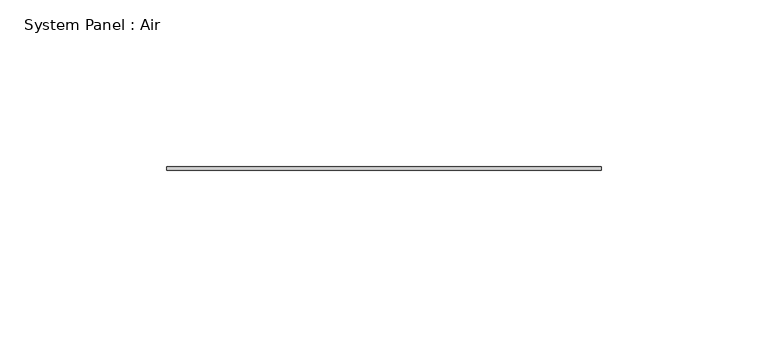
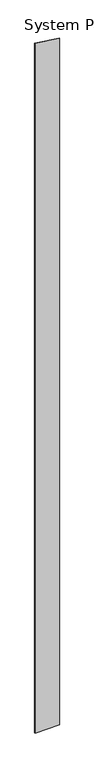
"""IFC4 building model written with IfcOpenShell, lengths in millimetres: plate geometry, System Panel : Air."""

from ifc_helpers import new_model, si_unit, frame, origin, place, context, project, spatial, polyline, outline, extrude, source, transform, mapped, element, save


def system_panel_air_2bc1fa2a(model_context):
    return source(origin(), model_context, "Body", "SweptSolid", [
        extrude(outline(polyline([(0.0, -65.0), (0.0, 65.0), (3845.1090735, 65.0), (3864.3646401, -65.0), (0.0, -65.0)])), frame((0.0, 36.5, 0.0), z_axis=(0.0, 1.0, 0.0), x_axis=(0.0, 0.0, 1.0)), (0.0, 0.0, 1.0), 1.0),
    ])


if __name__ == "__main__":
    model = new_model("IFC4")
    model_context = context("Model", 3, world=origin())
    ifc_project = project(units=[si_unit("LENGTHUNIT", "METRE", prefix="MILLI")], contexts=[model_context])
    site = spatial("IfcSite", under=ifc_project)
    building = spatial("IfcBuilding", under=site)
    placement = place(None, origin())
    system_panel_air_shape = system_panel_air_2bc1fa2a(model_context)
    element("IfcPlate", 1, ObjectType="System Panel : Air", at=placement, inside=building, context=model_context, shape_type="MappedRepresentation", body=[
        mapped(system_panel_air_shape, transform((0.0, 0.0, 0.0), x_axis=(1.0, 0.0, 0.0), y_axis=(0.0, 1.0, 0.0), z_axis=(0.0, 0.0, 1.0))),
    ])
    save(model, "model.ifc")
